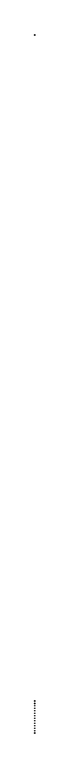
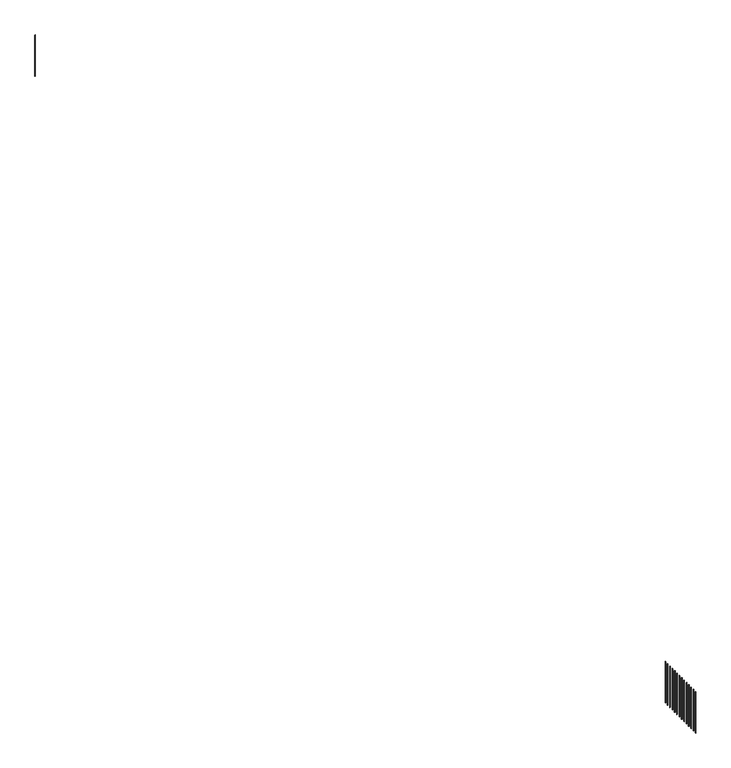
"""IFC4 building model written with IfcOpenShell, lengths in millimetres: railing geometry."""

from ifc_helpers import new_model, si_unit, frame, origin, place, context, project, spatial, polyline, outline, extrude, source, transform, mapped, element, save


def railing_3d0430a7(model_context):
    return source(origin(), model_context, "Body", "SweptSolid", [
        extrude(outline(polyline([(-42017.2544917, -7132.3763614), (-42042.2544917, -7132.3763614), (-42042.2544917, -7107.3763614), (-42017.2544917, -7107.3763614), (-42017.2544917, -7132.3763614)])), frame((0.0, 0.0, 1900.0), z_axis=(0.0, 0.0, 1.0), x_axis=(1.0, 0.0, 0.0)), (0.0, 0.0, 1.0), 2950.0),
        extrude(outline(polyline([(-42017.2544917, -7407.3763614), (-42042.2544917, -7407.3763614), (-42042.2544917, -7382.3763614), (-42017.2544917, -7382.3763614), (-42017.2544917, -7407.3763614)])), frame((0.0, 0.0, 1900.0), z_axis=(0.0, 0.0, 1.0), x_axis=(1.0, 0.0, 0.0)), (0.0, 0.0, 1.0), 2950.0),
        extrude(outline(polyline([(-42017.2544917, -7682.3763614), (-42042.2544917, -7682.3763614), (-42042.2544917, -7657.3763614), (-42017.2544917, -7657.3763614), (-42017.2544917, -7682.3763614)])), frame((0.0, 0.0, 1900.0), z_axis=(0.0, 0.0, 1.0), x_axis=(1.0, 0.0, 0.0)), (0.0, 0.0, 1.0), 2950.0),
        extrude(outline(polyline([(-42017.2544917, -7957.3763614), (-42042.2544917, -7957.3763614), (-42042.2544917, -7932.3763614), (-42017.2544917, -7932.3763614), (-42017.2544917, -7957.3763614)])), frame((0.0, 0.0, 1900.0), z_axis=(0.0, 0.0, 1.0), x_axis=(1.0, 0.0, 0.0)), (0.0, 0.0, 1.0), 2950.0),
        extrude(outline(polyline([(-42017.2544917, -8232.3763614), (-42042.2544917, -8232.3763614), (-42042.2544917, -8207.3763614), (-42017.2544917, -8207.3763614), (-42017.2544917, -8232.3763614)])), frame((0.0, 0.0, 1900.0), z_axis=(0.0, 0.0, 1.0), x_axis=(1.0, 0.0, 0.0)), (0.0, 0.0, 1.0), 2950.0),
        extrude(outline(polyline([(-42017.2544917, -8507.3763614), (-42042.2544917, -8507.3763614), (-42042.2544917, -8482.3763614), (-42017.2544917, -8482.3763614), (-42017.2544917, -8507.3763614)])), frame((0.0, 0.0, 1900.0), z_axis=(0.0, 0.0, 1.0), x_axis=(1.0, 0.0, 0.0)), (0.0, 0.0, 1.0), 2950.0),
        extrude(outline(polyline([(-42017.2544917, -8782.3763614), (-42042.2544917, -8782.3763614), (-42042.2544917, -8757.3763614), (-42017.2544917, -8757.3763614), (-42017.2544917, -8782.3763614)])), frame((0.0, 0.0, 1900.0), z_axis=(0.0, 0.0, 1.0), x_axis=(1.0, 0.0, 0.0)), (0.0, 0.0, 1.0), 2950.0),
        extrude(outline(polyline([(-42017.2544917, -9057.3763614), (-42042.2544917, -9057.3763614), (-42042.2544917, -9032.3763614), (-42017.2544917, -9032.3763614), (-42017.2544917, -9057.3763614)])), frame((0.0, 0.0, 1900.0), z_axis=(0.0, 0.0, 1.0), x_axis=(1.0, 0.0, 0.0)), (0.0, 0.0, 1.0), 2950.0),
        extrude(outline(polyline([(-42017.2544917, -9332.3763614), (-42042.2544917, -9332.3763614), (-42042.2544917, -9307.3763614), (-42017.2544917, -9307.3763614), (-42017.2544917, -9332.3763614)])), frame((0.0, 0.0, 1900.0), z_axis=(0.0, 0.0, 1.0), x_axis=(1.0, 0.0, 0.0)), (0.0, 0.0, 1.0), 2950.0),
        extrude(outline(polyline([(-42017.2544917, -9607.3763614), (-42042.2544917, -9607.3763614), (-42042.2544917, -9582.3763614), (-42017.2544917, -9582.3763614), (-42017.2544917, -9607.3763614)])), frame((0.0, 0.0, 1900.0), z_axis=(0.0, 0.0, 1.0), x_axis=(1.0, 0.0, 0.0)), (0.0, 0.0, 1.0), 2950.0),
        extrude(outline(polyline([(-42017.2544917, -9882.3763614), (-42042.2544917, -9882.3763614), (-42042.2544917, -9857.3763614), (-42017.2544917, -9857.3763614), (-42017.2544917, -9882.3763614)])), frame((0.0, 0.0, 1900.0), z_axis=(0.0, 0.0, 1.0), x_axis=(1.0, 0.0, 0.0)), (0.0, 0.0, 1.0), 2950.0),
        extrude(outline(polyline([(-42017.2544917, -10157.3763614), (-42042.2544917, -10157.3763614), (-42042.2544917, -10132.3763614), (-42017.2544917, -10132.3763614), (-42017.2544917, -10157.3763614)])), frame((0.0, 0.0, 1900.0), z_axis=(0.0, 0.0, 1.0), x_axis=(1.0, 0.0, 0.0)), (0.0, 0.0, 1.0), 2950.0),
        extrude(outline(polyline([(-42017.2544917, -10432.3763614), (-42042.2544917, -10432.3763614), (-42042.2544917, -10407.3763614), (-42017.2544917, -10407.3763614), (-42017.2544917, -10432.3763614)])), frame((0.0, 0.0, 1900.0), z_axis=(0.0, 0.0, 1.0), x_axis=(1.0, 0.0, 0.0)), (0.0, 0.0, 1.0), 2950.0),
        extrude(outline(polyline([(-42017.2544917, 66906.6015011), (-42042.2544917, 66906.6015011), (-42042.2544917, 66931.6015011), (-42017.2544917, 66931.6015011), (-42017.2544917, 66906.6015011)])), frame((0.0, 0.0, 1900.0), z_axis=(0.0, 0.0, 1.0), x_axis=(1.0, 0.0, 0.0)), (0.0, 0.0, 1.0), 2950.0),
        extrude(outline(polyline([(-42017.2544917, -10694.8763614), (-42042.2544917, -10694.8763614), (-42042.2544917, -10669.8763614), (-42017.2544917, -10669.8763614), (-42017.2544917, -10694.8763614)])), frame((0.0, 0.0, 1900.0), z_axis=(0.0, 0.0, 1.0), x_axis=(1.0, 0.0, 0.0)), (0.0, 0.0, 1.0), 2950.0),
    ])


if __name__ == "__main__":
    model = new_model("IFC4")
    model_context = context("Model", 3, world=origin())
    ifc_project = project(units=[si_unit("LENGTHUNIT", "METRE", prefix="MILLI")], contexts=[model_context])
    site = spatial("IfcSite", under=ifc_project)
    building = spatial("IfcBuilding", under=site)
    placement = place(None, origin())
    railing_shape = railing_3d0430a7(model_context)
    element("IfcRailing", 1, at=placement, inside=building, context=model_context, shape_type="MappedRepresentation", body=[
        mapped(railing_shape, transform((0.0, 0.0, 0.0), x_axis=(1.0, 0.0, 0.0), y_axis=(0.0, 1.0, 0.0), z_axis=(0.0, 0.0, 1.0))),
    ])
    save(model, "model.ifc")
